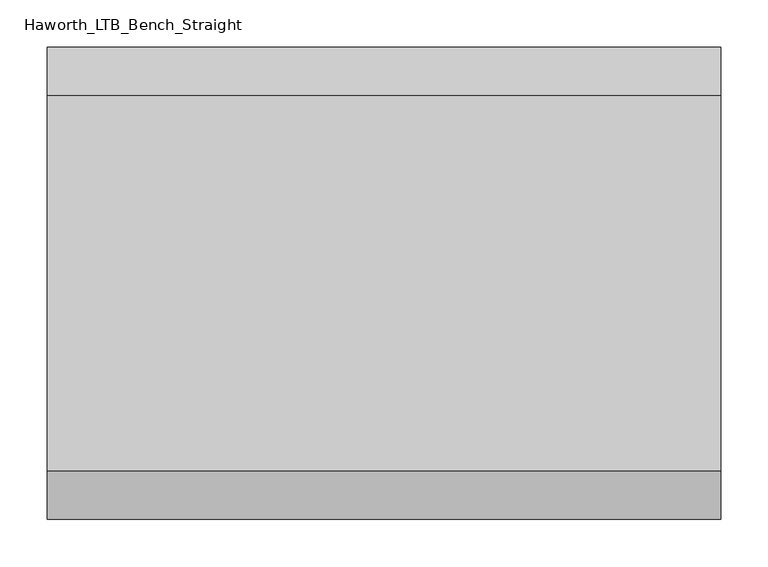
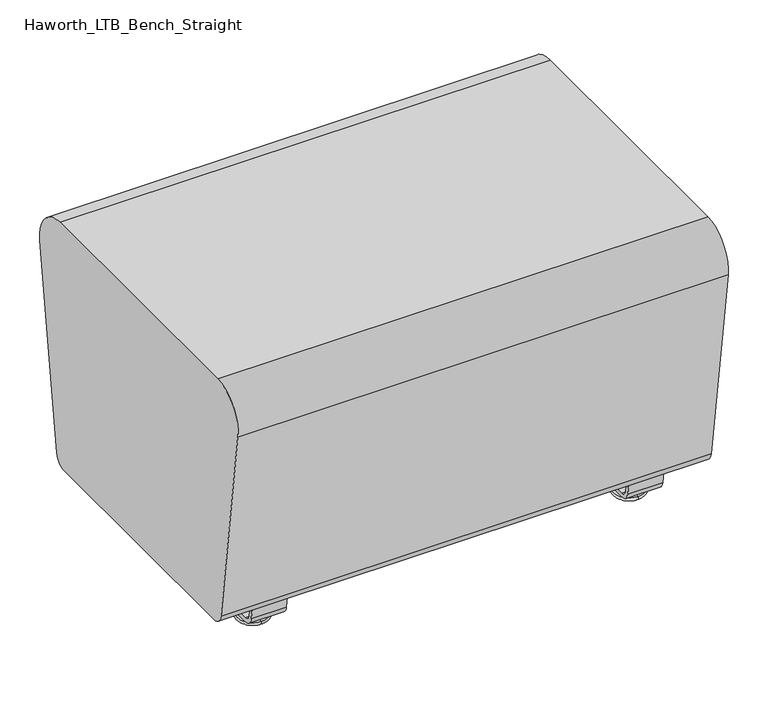
"""IFC4 building model written with IfcOpenShell, lengths in millimetres: furniture geometry, Haworth_LTB_Bench_Straight."""

from ifc_helpers import new_model, si_unit, point, frame, frame_2d, origin, place, context, project, spatial, polyline, circle_curve, ellipse_curve, trimmed, segment, composite_curve, outline, extrude, source, transform, mapped, element, save
from ifc_brep_helpers import plane_surface, cylinder_surface, revolved_surface, advanced_brep


def haworth_ltb_bench_straight_ecd08677(model_context):
    return source(origin(), model_context, "Body", "SolidModel", [
        advanced_brep(
        [(273.1045358, -134.8425052, 7.8133431), (273.1045358, -150.8355515, 7.8133431), (273.1045358, -147.6015284, 7.8133431), (273.1045358, -138.0765284, 7.8133431), (273.1045358, -120.9001513, 4.0775), (273.1045358, -164.7779054, 4.0775), (273.1045358, -121.3107026, 0.0), (273.1045358, -164.3673542, 0.0), (273.1045358, -142.8390284, 0.0), (273.1045358, -138.0765284, 50.0000004), (273.1045358, -147.6015284, 50.0000004), (273.1045358, -142.8390284, 50.0000004)],
        [
            (0, 1, circle_curve(frame((273.1045358, -142.8390284, 7.8133431), z_axis=(0.0, 0.0, 1.0), x_axis=(0.0, -1.0, 0.0)), 7.9965232)),
            (1, 2),
            (2, 3, circle_curve(frame((273.1045358, -142.8390284, 7.8133431), z_axis=(0.0, 0.0, -1.0), x_axis=(0.0, -1.0, 0.0)), 4.7625)),
            (3, 0),
            (1, 0, circle_curve(frame((273.1045358, -142.8390284, 7.8133431), z_axis=(0.0, 0.0, 1.0), x_axis=(0.0, -1.0, 0.0)), 7.9965232)),
            (3, 2, circle_curve(frame((273.1045358, -142.8390284, 7.8133431), z_axis=(0.0, 0.0, -1.0), x_axis=(0.0, -1.0, 0.0)), 4.7625)),
            (4, 5, circle_curve(frame((273.1045358, -142.8390284, 4.0775), z_axis=(0.0, 0.0, 1.0), x_axis=(0.0, -1.0, 0.0)), 21.9388771)),
            (5, 1),
            (0, 4),
            (5, 4, circle_curve(frame((273.1045358, -142.8390284, 4.0775), z_axis=(0.0, 0.0, 1.0), x_axis=(0.0, -1.0, 0.0)), 21.9388771)),
            (6, 7, circle_curve(frame((273.1045358, -142.8390284, 0.0), z_axis=(0.0, 0.0, 1.0), x_axis=(0.0, -1.0, 0.0)), 21.5283258)),
            (7, 5, circle_curve(frame((273.1045358, -164.2405822, 2.0721829), z_axis=(-1.0, 0.0, 0.0), x_axis=(0.0, 1.0, 0.0)), 2.0760571)),
            (4, 6, circle_curve(frame((273.1045358, -121.4374745, 2.0721829), z_axis=(-1.0, 0.0, 0.0), x_axis=(0.0, -1.0, 0.0)), 2.0760571)),
            (7, 6, circle_curve(frame((273.1045358, -142.8390284, 0.0), z_axis=(0.0, 0.0, 1.0), x_axis=(0.0, -1.0, 0.0)), 21.5283258)),
            (8, 7),
            (6, 8),
            (9, 10, circle_curve(frame((273.1045358, -142.8390284, 50.0000004), z_axis=(0.0, 0.0, 1.0), x_axis=(0.0, -1.0, 0.0)), 4.7625)),
            (10, 11),
            (11, 9),
            (10, 9, circle_curve(frame((273.1045358, -142.8390284, 50.0000004), z_axis=(0.0, 0.0, 1.0), x_axis=(0.0, -1.0, 0.0)), 4.7625)),
            (2, 10),
            (9, 3),
        ],
        [
            plane_surface(frame((273.1045358, -142.8390284, 7.8133431), z_axis=(0.0, 0.0, 1.0), x_axis=(0.0, -1.0, 0.0))),
            revolved_surface(polyline([(273.1045358, -150.8355515, 7.8133431), (273.1045358, -164.7779054, 4.0775)]), (273.1045358, -142.8390284, 0.0), (0.0, 0.0, -1.0)),
            revolved_surface(trimmed(ellipse_curve(frame((273.1045358, -164.2405822, 2.0721829), z_axis=(1.0, 0.0, 0.0), x_axis=(0.0, 1.0, 0.0)), 2.0760571, 2.0760571), [point((273.1045358, -164.7779054, 4.0775))], [point((273.1045358, -164.3673542, 0.0))], True, "CARTESIAN"), (273.1045358, -142.8390284, 0.0), (0.0, 0.0, -1.0)),
            plane_surface(frame((273.1045358, -142.8390284, 0.0), z_axis=(0.0, 0.0, -1.0), x_axis=(0.0, -1.0, 0.0))),
            plane_surface(frame((273.1045358, -142.8390284, 50.0000004), z_axis=(0.0, 0.0, 1.0), x_axis=(0.0, -1.0, 0.0))),
            cylinder_surface(frame((273.1045358, -142.8390284, 0.0), z_axis=(0.0, 0.0, -1.0), x_axis=(0.0, -1.0, 0.0)), 4.7625),
        ],
        [
            (0, [[1, 2, 3, 4]]),
            (0, [[5, -4, 6, -2]]),
            (1, [[7, 8, -1, 9]]),
            (1, [[10, -9, -5, -8]]),
            (2, [[11, 12, -7, 13]]),
            (2, [[14, -13, -10, -12]]),
            (3, [[15, -11, 16]]),
            (3, [[-16, -14, -15]]),
            (4, [[17, 18, 19]]),
            (4, [[20, -19, -18]]),
            (5, [[-3, 21, -17, 22]]),
            (5, [[-6, -22, -20, -21]]),
        ],
    ),
        advanced_brep(
        [(273.1045358, 138.0765284, 7.8133431), (273.1045358, 147.6015284, 7.8133431), (273.1045358, 150.8355515, 7.8133431), (273.1045358, 134.8425052, 7.8133431), (273.1045358, 164.7779054, 4.0775), (273.1045358, 120.9001513, 4.0775), (273.1045358, 164.3673542, 0.0), (273.1045358, 121.3107026, 0.0), (273.1045358, 142.8390284, 0.0), (273.1045358, 142.8390284, 50.0000004), (273.1045358, 147.6015284, 50.0000004), (273.1045358, 138.0765284, 50.0000004)],
        [
            (0, 1, circle_curve(frame((273.1045358, 142.8390284, 7.8133431), z_axis=(0.0, 0.0, -1.0), x_axis=(0.0, 1.0, 0.0)), 4.7625)),
            (1, 2),
            (2, 3, circle_curve(frame((273.1045358, 142.8390284, 7.8133431), z_axis=(0.0, 0.0, 1.0), x_axis=(0.0, 1.0, 0.0)), 7.9965232)),
            (3, 0),
            (1, 0, circle_curve(frame((273.1045358, 142.8390284, 7.8133431), z_axis=(0.0, 0.0, -1.0), x_axis=(0.0, 1.0, 0.0)), 4.7625)),
            (3, 2, circle_curve(frame((273.1045358, 142.8390284, 7.8133431), z_axis=(0.0, 0.0, 1.0), x_axis=(0.0, 1.0, 0.0)), 7.9965232)),
            (2, 4),
            (4, 5, circle_curve(frame((273.1045358, 142.8390284, 4.0775), z_axis=(0.0, 0.0, 1.0), x_axis=(0.0, 1.0, 0.0)), 21.9388771)),
            (5, 3),
            (5, 4, circle_curve(frame((273.1045358, 142.8390284, 4.0775), z_axis=(0.0, 0.0, 1.0), x_axis=(0.0, 1.0, 0.0)), 21.9388771)),
            (4, 6, circle_curve(frame((273.1045358, 164.2405822, 2.0721829), z_axis=(-1.0, 0.0, 0.0), x_axis=(0.0, -1.0, 0.0)), 2.0760571)),
            (6, 7, circle_curve(frame((273.1045358, 142.8390284, 0.0), z_axis=(0.0, 0.0, 1.0), x_axis=(0.0, 1.0, 0.0)), 21.5283258)),
            (7, 5, circle_curve(frame((273.1045358, 121.4374745, 2.0721829), z_axis=(-1.0, 0.0, 0.0), x_axis=(0.0, 1.0, 0.0)), 2.0760571)),
            (7, 6, circle_curve(frame((273.1045358, 142.8390284, 0.0), z_axis=(0.0, 0.0, 1.0), x_axis=(0.0, 1.0, 0.0)), 21.5283258)),
            (6, 8),
            (8, 7),
            (9, 10),
            (10, 11, circle_curve(frame((273.1045358, 142.8390284, 50.0000004), z_axis=(0.0, 0.0, 1.0), x_axis=(0.0, 1.0, 0.0)), 4.7625)),
            (11, 9),
            (11, 10, circle_curve(frame((273.1045358, 142.8390284, 50.0000004), z_axis=(0.0, 0.0, 1.0), x_axis=(0.0, 1.0, 0.0)), 4.7625)),
            (10, 1),
            (0, 11),
        ],
        [
            plane_surface(frame((273.1045358, 142.8390284, 7.8133431), z_axis=(0.0, 0.0, 1.0), x_axis=(0.0, 1.0, 0.0))),
            revolved_surface(polyline([(273.1045358, 164.7779054, 4.0775), (273.1045358, 150.8355515, 7.8133431)]), (273.1045358, 142.8390284, 0.0), (0.0, 0.0, 1.0)),
            revolved_surface(trimmed(ellipse_curve(frame((273.1045358, 164.2405822, 2.0721829), z_axis=(1.0, 0.0, 0.0), x_axis=(0.0, -1.0, 0.0)), 2.0760571, 2.0760571), [point((273.1045358, 164.3673542, 0.0))], [point((273.1045358, 164.7779054, 4.0775))], True, "CARTESIAN"), (273.1045358, 142.8390284, 0.0), (0.0, 0.0, 1.0)),
            plane_surface(frame((273.1045358, 142.8390284, 0.0), z_axis=(0.0, 0.0, -1.0), x_axis=(0.0, 1.0, 0.0))),
            plane_surface(frame((273.1045358, 142.8390284, 50.0000004), z_axis=(0.0, 0.0, 1.0), x_axis=(0.0, 1.0, 0.0))),
            cylinder_surface(frame((273.1045358, 142.8390284, 0.0), z_axis=(0.0, 0.0, 1.0), x_axis=(0.0, 1.0, 0.0)), 4.7625),
        ],
        [
            (0, [[1, 2, 3, 4]]),
            (0, [[5, -4, 6, -2]]),
            (1, [[-3, 7, 8, 9]]),
            (1, [[-6, -9, 10, -7]]),
            (2, [[-8, 11, 12, 13]]),
            (2, [[-10, -13, 14, -11]]),
            (3, [[-12, 15, 16]]),
            (3, [[-14, -16, -15]]),
            (4, [[17, 18, 19]]),
            (4, [[-19, 20, -17]]),
            (5, [[-18, 21, -1, 22]]),
            (5, [[-20, -22, -5, -21]]),
        ],
    ),
        extrude(outline(composite_curve([segment(polyline([(188.6158944, 62.9950557), (183.6853496, 27.9124042)]), True, "CONTINUOUS"), segment(trimmed(circle_curve(frame_2d((168.8313276, 30.0000007)), 15.000001), [point((183.6853496, 27.9124042))], [point((168.8313276, 14.9999997))], False, "CARTESIAN"), True, "CONTINUOUS"), segment(polyline([(168.8313276, 14.9999997), (-168.8313276, 14.9999997)]), True, "CONTINUOUS"), segment(trimmed(circle_curve(frame_2d((-168.8313276, 30.0000007)), 15.000001), [point((-168.8313276, 14.9999997))], [point((-183.6853496, 27.9124042))], False, "CARTESIAN"), True, "CONTINUOUS"), segment(polyline([(-183.6853496, 27.9124042), (-188.6158944, 62.9950557), (-182.9812615, 63.7869505), (-178.0507241, 28.7043023)]), True, "CONTINUOUS"), segment(trimmed(circle_curve(frame_2d((-168.8313262, 30.0000023)), 9.310002), [point((-178.0507241, 28.7043023))], [point((-168.8313262, 20.6900003))], True, "CARTESIAN"), True, "CONTINUOUS"), segment(polyline([(-168.8313262, 20.6900003), (168.8313262, 20.6900003)]), True, "CONTINUOUS"), segment(trimmed(circle_curve(frame_2d((168.8313262, 30.0000023)), 9.310002), [point((168.8313262, 20.6900003))], [point((178.0507241, 28.7043023))], True, "CARTESIAN"), True, "CONTINUOUS"), segment(polyline([(178.0507241, 28.7043023), (182.9812615, 63.7869505), (188.6158944, 62.9950557)]), True, "CONTINUOUS")], self_intersect=False)), frame((247.7045358, 0.0, 0.0), z_axis=(1.0, 0.0, 0.0), x_axis=(0.0, 1.0, 0.0)), (0.0, 0.0, 1.0), 50.8),
        advanced_brep(
        [(-273.1045358, -138.0765284, 7.8133431), (-273.1045358, -147.6015284, 7.8133431), (-273.1045358, -150.8355515, 7.8133431), (-273.1045358, -134.8425052, 7.8133431), (-273.1045358, -164.7779054, 4.0775), (-273.1045358, -120.9001513, 4.0775), (-273.1045358, -164.3673542, 0.0), (-273.1045358, -121.3107026, 0.0), (-273.1045358, -142.8390284, 0.0), (-273.1045358, -142.8390284, 50.0000004), (-273.1045358, -147.6015284, 50.0000004), (-273.1045358, -138.0765284, 50.0000004)],
        [
            (0, 1, circle_curve(frame((-273.1045358, -142.8390284, 7.8133431), z_axis=(0.0, 0.0, -1.0), x_axis=(0.0, -1.0, 0.0)), 4.7625)),
            (1, 2),
            (2, 3, circle_curve(frame((-273.1045358, -142.8390284, 7.8133431), z_axis=(0.0, 0.0, 1.0), x_axis=(0.0, -1.0, 0.0)), 7.9965232)),
            (3, 0),
            (1, 0, circle_curve(frame((-273.1045358, -142.8390284, 7.8133431), z_axis=(0.0, 0.0, -1.0), x_axis=(0.0, -1.0, 0.0)), 4.7625)),
            (3, 2, circle_curve(frame((-273.1045358, -142.8390284, 7.8133431), z_axis=(0.0, 0.0, 1.0), x_axis=(0.0, -1.0, 0.0)), 7.9965232)),
            (2, 4),
            (4, 5, circle_curve(frame((-273.1045358, -142.8390284, 4.0775), z_axis=(0.0, 0.0, 1.0), x_axis=(0.0, -1.0, 0.0)), 21.9388771)),
            (5, 3),
            (5, 4, circle_curve(frame((-273.1045358, -142.8390284, 4.0775), z_axis=(0.0, 0.0, 1.0), x_axis=(0.0, -1.0, 0.0)), 21.9388771)),
            (4, 6, circle_curve(frame((-273.1045358, -164.2405822, 2.0721829), z_axis=(1.0, 0.0, 0.0), x_axis=(0.0, 1.0, 0.0)), 2.0760571)),
            (6, 7, circle_curve(frame((-273.1045358, -142.8390284, 0.0), z_axis=(0.0, 0.0, 1.0), x_axis=(0.0, -1.0, 0.0)), 21.5283258)),
            (7, 5, circle_curve(frame((-273.1045358, -121.4374745, 2.0721829), z_axis=(1.0, 0.0, 0.0), x_axis=(0.0, -1.0, 0.0)), 2.0760571)),
            (7, 6, circle_curve(frame((-273.1045358, -142.8390284, 0.0), z_axis=(0.0, 0.0, 1.0), x_axis=(0.0, -1.0, 0.0)), 21.5283258)),
            (6, 8),
            (8, 7),
            (9, 10),
            (10, 11, circle_curve(frame((-273.1045358, -142.8390284, 50.0000004), z_axis=(0.0, 0.0, 1.0), x_axis=(0.0, -1.0, 0.0)), 4.7625)),
            (11, 9),
            (11, 10, circle_curve(frame((-273.1045358, -142.8390284, 50.0000004), z_axis=(0.0, 0.0, 1.0), x_axis=(0.0, -1.0, 0.0)), 4.7625)),
            (10, 1),
            (0, 11),
        ],
        [
            plane_surface(frame((-273.1045358, -142.8390284, 7.8133431), z_axis=(0.0, 0.0, 1.0), x_axis=(0.0, -1.0, 0.0))),
            revolved_surface(polyline([(-273.1045358, -164.7779054, 4.0775), (-273.1045358, -150.8355515, 7.8133431)]), (-273.1045358, -142.8390284, 0.0), (0.0, 0.0, 1.0)),
            revolved_surface(trimmed(ellipse_curve(frame((-273.1045358, -164.2405822, 2.0721829), z_axis=(-1.0, 0.0, 0.0), x_axis=(0.0, 1.0, 0.0)), 2.0760571, 2.0760571), [point((-273.1045358, -164.3673542, 0.0))], [point((-273.1045358, -164.7779054, 4.0775))], True, "CARTESIAN"), (-273.1045358, -142.8390284, 0.0), (0.0, 0.0, 1.0)),
            plane_surface(frame((-273.1045358, -142.8390284, 0.0), z_axis=(0.0, 0.0, -1.0), x_axis=(0.0, -1.0, 0.0))),
            plane_surface(frame((-273.1045358, -142.8390284, 50.0000004), z_axis=(0.0, 0.0, 1.0), x_axis=(0.0, -1.0, 0.0))),
            cylinder_surface(frame((-273.1045358, -142.8390284, 0.0), z_axis=(0.0, 0.0, 1.0), x_axis=(0.0, -1.0, 0.0)), 4.7625),
        ],
        [
            (0, [[1, 2, 3, 4]]),
            (0, [[5, -4, 6, -2]]),
            (1, [[-3, 7, 8, 9]]),
            (1, [[-6, -9, 10, -7]]),
            (2, [[-8, 11, 12, 13]]),
            (2, [[-10, -13, 14, -11]]),
            (3, [[-12, 15, 16]]),
            (3, [[-14, -16, -15]]),
            (4, [[17, 18, 19]]),
            (4, [[-19, 20, -17]]),
            (5, [[-18, 21, -1, 22]]),
            (5, [[-20, -22, -5, -21]]),
        ],
    ),
        advanced_brep(
        [(-273.1045358, 134.8425052, 7.8133431), (-273.1045358, 150.8355515, 7.8133431), (-273.1045358, 147.6015284, 7.8133431), (-273.1045358, 138.0765284, 7.8133431), (-273.1045358, 120.9001513, 4.0775), (-273.1045358, 164.7779054, 4.0775), (-273.1045358, 121.3107026, 0.0), (-273.1045358, 164.3673542, 0.0), (-273.1045358, 142.8390284, 0.0), (-273.1045358, 138.0765284, 50.0000004), (-273.1045358, 147.6015284, 50.0000004), (-273.1045358, 142.8390284, 50.0000004)],
        [
            (0, 1, circle_curve(frame((-273.1045358, 142.8390284, 7.8133431), z_axis=(0.0, 0.0, 1.0), x_axis=(0.0, 1.0, 0.0)), 7.9965232)),
            (1, 2),
            (2, 3, circle_curve(frame((-273.1045358, 142.8390284, 7.8133431), z_axis=(0.0, 0.0, -1.0), x_axis=(0.0, 1.0, 0.0)), 4.7625)),
            (3, 0),
            (1, 0, circle_curve(frame((-273.1045358, 142.8390284, 7.8133431), z_axis=(0.0, 0.0, 1.0), x_axis=(0.0, 1.0, 0.0)), 7.9965232)),
            (3, 2, circle_curve(frame((-273.1045358, 142.8390284, 7.8133431), z_axis=(0.0, 0.0, -1.0), x_axis=(0.0, 1.0, 0.0)), 4.7625)),
            (4, 5, circle_curve(frame((-273.1045358, 142.8390284, 4.0775), z_axis=(0.0, 0.0, 1.0), x_axis=(0.0, 1.0, 0.0)), 21.9388771)),
            (5, 1),
            (0, 4),
            (5, 4, circle_curve(frame((-273.1045358, 142.8390284, 4.0775), z_axis=(0.0, 0.0, 1.0), x_axis=(0.0, 1.0, 0.0)), 21.9388771)),
            (6, 7, circle_curve(frame((-273.1045358, 142.8390284, 0.0), z_axis=(0.0, 0.0, 1.0), x_axis=(0.0, 1.0, 0.0)), 21.5283258)),
            (7, 5, circle_curve(frame((-273.1045358, 164.2405822, 2.0721829), z_axis=(1.0, 0.0, 0.0), x_axis=(0.0, -1.0, 0.0)), 2.0760571)),
            (4, 6, circle_curve(frame((-273.1045358, 121.4374745, 2.0721829), z_axis=(1.0, 0.0, 0.0), x_axis=(0.0, 1.0, 0.0)), 2.0760571)),
            (7, 6, circle_curve(frame((-273.1045358, 142.8390284, 0.0), z_axis=(0.0, 0.0, 1.0), x_axis=(0.0, 1.0, 0.0)), 21.5283258)),
            (8, 7),
            (6, 8),
            (9, 10, circle_curve(frame((-273.1045358, 142.8390284, 50.0000004), z_axis=(0.0, 0.0, 1.0), x_axis=(0.0, 1.0, 0.0)), 4.7625)),
            (10, 11),
            (11, 9),
            (10, 9, circle_curve(frame((-273.1045358, 142.8390284, 50.0000004), z_axis=(0.0, 0.0, 1.0), x_axis=(0.0, 1.0, 0.0)), 4.7625)),
            (2, 10),
            (9, 3),
        ],
        [
            plane_surface(frame((-273.1045358, 142.8390284, 7.8133431), z_axis=(0.0, 0.0, 1.0), x_axis=(0.0, 1.0, 0.0))),
            revolved_surface(polyline([(-273.1045358, 150.8355515, 7.8133431), (-273.1045358, 164.7779054, 4.0775)]), (-273.1045358, 142.8390284, 0.0), (0.0, 0.0, -1.0)),
            revolved_surface(trimmed(ellipse_curve(frame((-273.1045358, 164.2405822, 2.0721829), z_axis=(-1.0, 0.0, 0.0), x_axis=(0.0, -1.0, 0.0)), 2.0760571, 2.0760571), [point((-273.1045358, 164.7779054, 4.0775))], [point((-273.1045358, 164.3673542, 0.0))], True, "CARTESIAN"), (-273.1045358, 142.8390284, 0.0), (0.0, 0.0, -1.0)),
            plane_surface(frame((-273.1045358, 142.8390284, 0.0), z_axis=(0.0, 0.0, -1.0), x_axis=(0.0, 1.0, 0.0))),
            plane_surface(frame((-273.1045358, 142.8390284, 50.0000004), z_axis=(0.0, 0.0, 1.0), x_axis=(0.0, 1.0, 0.0))),
            cylinder_surface(frame((-273.1045358, 142.8390284, 0.0), z_axis=(0.0, 0.0, -1.0), x_axis=(0.0, 1.0, 0.0)), 4.7625),
        ],
        [
            (0, [[1, 2, 3, 4]]),
            (0, [[5, -4, 6, -2]]),
            (1, [[7, 8, -1, 9]]),
            (1, [[10, -9, -5, -8]]),
            (2, [[11, 12, -7, 13]]),
            (2, [[14, -13, -10, -12]]),
            (3, [[15, -11, 16]]),
            (3, [[-16, -14, -15]]),
            (4, [[17, 18, 19]]),
            (4, [[20, -19, -18]]),
            (5, [[-3, 21, -17, 22]]),
            (5, [[-6, -22, -20, -21]]),
        ],
    ),
        extrude(outline(composite_curve([segment(polyline([(188.6158944, 62.9950557), (183.6853496, 27.9124042)]), True, "CONTINUOUS"), segment(trimmed(circle_curve(frame_2d((168.8313276, 30.0000007)), 15.000001), [point((183.6853496, 27.9124042))], [point((168.8313276, 14.9999997))], False, "CARTESIAN"), True, "CONTINUOUS"), segment(polyline([(168.8313276, 14.9999997), (-168.8313276, 14.9999997)]), True, "CONTINUOUS"), segment(trimmed(circle_curve(frame_2d((-168.8313276, 30.0000007)), 15.000001), [point((-168.8313276, 14.9999997))], [point((-183.6853496, 27.9124042))], False, "CARTESIAN"), True, "CONTINUOUS"), segment(polyline([(-183.6853496, 27.9124042), (-188.6158944, 62.9950557), (-182.9812615, 63.7869505), (-178.0507241, 28.7043023)]), True, "CONTINUOUS"), segment(trimmed(circle_curve(frame_2d((-168.8313262, 30.0000023)), 9.310002), [point((-178.0507241, 28.7043023))], [point((-168.8313262, 20.6900003))], True, "CARTESIAN"), True, "CONTINUOUS"), segment(polyline([(-168.8313262, 20.6900003), (168.8313262, 20.6900003)]), True, "CONTINUOUS"), segment(trimmed(circle_curve(frame_2d((168.8313262, 30.0000023)), 9.310002), [point((168.8313262, 20.6900003))], [point((178.0507241, 28.7043023))], True, "CARTESIAN"), True, "CONTINUOUS"), segment(polyline([(178.0507241, 28.7043023), (182.9812615, 63.7869505), (188.6158944, 62.9950557)]), True, "CONTINUOUS")], self_intersect=False)), frame((-298.5045358, 0.0, 0.0), z_axis=(1.0, 0.0, 0.0), x_axis=(0.0, 1.0, 0.0)), (0.0, 0.0, 1.0), 50.8),
        extrude(outline(composite_curve([segment(trimmed(circle_curve(frame_2d((187.8390314, 68.9999996)), 18.9999992), [point((206.6541239, 66.3557108))], [point((187.8390314, 50.0000004))], False, "CARTESIAN"), True, "CONTINUOUS"), segment(polyline([(187.8390314, 50.0000004), (-187.8390314, 50.0000004)]), True, "CONTINUOUS"), segment(trimmed(circle_curve(frame_2d((-187.8390314, 68.9999996)), 18.9999992), [point((-187.8390314, 50.0000004))], [point((-206.6541239, 66.3557108))], False, "CARTESIAN"), True, "CONTINUOUS"), segment(polyline([(-206.6541239, 66.3557108), (-248.8457699, 366.5648734)]), True, "CONTINUOUS"), segment(trimmed(circle_curve(frame_2d((-198.0488862, 373.7039098)), 51.2960937), [point((-248.8457699, 366.5648734))], [point((-198.0488862, 425.0000035))], False, "CARTESIAN"), True, "CONTINUOUS"), segment(polyline([(-198.0488862, 425.0000035), (198.0488862, 425.0000035)]), True, "CONTINUOUS"), segment(trimmed(circle_curve(frame_2d((198.0488862, 373.7039098)), 51.2960937), [point((198.0488862, 425.0000035))], [point((248.8457699, 366.5648734))], False, "CARTESIAN"), True, "CONTINUOUS"), segment(polyline([(248.8457699, 366.5648734), (206.6541239, 66.3557108)]), True, "CONTINUOUS")], self_intersect=False)), frame((-355.6, 0.0, 0.0), z_axis=(1.0, 0.0, 0.0), x_axis=(0.0, 1.0, 0.0)), (0.0, 0.0, 1.0), 711.2),
    ])


if __name__ == "__main__":
    model = new_model("IFC4")
    model_context = context("Model", 3, world=origin())
    ifc_project = project(units=[si_unit("LENGTHUNIT", "METRE", prefix="MILLI")], contexts=[model_context])
    site = spatial("IfcSite", under=ifc_project)
    building = spatial("IfcBuilding", under=site)
    placement = place(None, origin())
    haworth_ltb_bench_straight_shape = haworth_ltb_bench_straight_ecd08677(model_context)
    element("IfcFurniture", 1, ObjectType="Haworth_LTB_Bench_Straight", at=placement, inside=building, context=model_context, shape_type="MappedRepresentation", body=[
        mapped(haworth_ltb_bench_straight_shape, transform((0.0, 0.0, 0.0), x_axis=(1.0, 0.0, 0.0), y_axis=(0.0, 1.0, 0.0), z_axis=(0.0, 0.0, 1.0))),
    ])
    save(model, "model.ifc")
